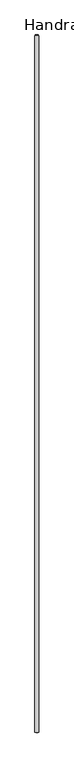
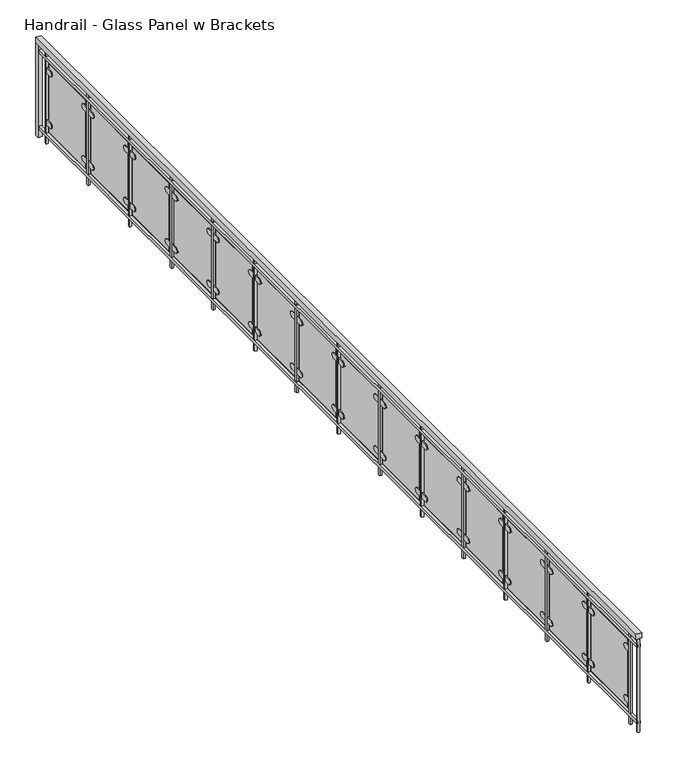
"""IFC4 building model written with IfcOpenShell, lengths in millimetres: railing geometry, Handrail - Glass Panel w Brackets."""

import ifcopenshell
import ifcopenshell.guid

model = None  # the IFC model being written
_history = None  # IfcOwnerHistory: only IFC2X3 demands one
_inside = {}  # id of a spatial element -> (the spatial element, [elements in it])
_under = {}  # id of a project, library or spatial element -> (it, [spatial elements below it])
_declared = {}  # id of a project -> (the project, [libraries it declares])
_typed = {}  # id of a type object -> (the type object, [elements of that type])
_made_of = {}  # id of a material, layer set ... -> (it, [elements and type objects made of it])


def new_model(schema):
    """Start an empty IFC model of exactly this schema.

    Asked for "IFC4X3", IfcOpenShell would pick the latest addendum, in which some entities
    have other attributes; the version numbers below select the first issue.
    IFC2X3 requires an IfcOwnerHistory on every rooted entity: one is made here for all.
    """
    global model, _history
    if schema == "IFC4X3":
        model = ifcopenshell.file(schema_version=(4, 3, 0, 0))
    else:
        model = ifcopenshell.file(schema=schema)
    _inside.clear()
    _under.clear()
    _declared.clear()
    _typed.clear()
    _made_of.clear()
    _history = None
    if model.schema == "IFC2X3":
        org = make("IfcOrganization", Name="unknown")
        user = make(
            "IfcPersonAndOrganization",
            ThePerson=make("IfcPerson", FamilyName="unknown"),
            TheOrganization=org,
        )
        app = make(
            "IfcApplication",
            ApplicationDeveloper=org,
            Version="unknown",
            ApplicationFullName="unknown",
            ApplicationIdentifier="unknown",
        )
        _history = make(
            "IfcOwnerHistory",
            OwningUser=user,
            OwningApplication=app,
            ChangeAction="ADDED",
            CreationDate=0,
        )
    return model


def make(cls, **values):
    """One entity of the class cls with the attributes given. An attribute that is None is left unset."""
    return model.create_entity(
        cls, **{name: value for name, value in values.items() if value is not None}
    )


def rooted(cls, **values):
    """An entity with a GlobalId (a new one), such as an element, a storey or a relation."""
    return make(cls, GlobalId=ifcopenshell.guid.new(), OwnerHistory=_history, **values)


def si_unit(unit_type, name, prefix=None):
    """IfcSIUnit, for example si_unit("LENGTHUNIT", "METRE", prefix="MILLI")."""
    return make("IfcSIUnit", UnitType=unit_type, Prefix=prefix, Name=name)


def assignment(units):
    """IfcUnitAssignment: the units of a project."""
    return None if units is None else make("IfcUnitAssignment", Units=units)


def point(xyz):
    """IfcCartesianPoint."""
    return None if xyz is None else make("IfcCartesianPoint", Coordinates=xyz)


def direction(xyz):
    """IfcDirection."""
    return None if xyz is None else make("IfcDirection", DirectionRatios=xyz)


def frame(location, z_axis=None, x_axis=None):
    """IfcAxis2Placement3D, a coordinate frame: its origin and axes. An axis left out is left unset."""
    return make(
        "IfcAxis2Placement3D",
        Location=point(location),
        Axis=direction(z_axis),
        RefDirection=direction(x_axis),
    )


def frame_2d(location, x_axis=None):
    """IfcAxis2Placement2D, a coordinate frame in the plane: its origin and x axis."""
    return make(
        "IfcAxis2Placement2D", Location=point(location), RefDirection=direction(x_axis)
    )


def origin():
    """The frame at (0, 0, 0) with its axes left unset."""
    return frame((0.0, 0.0, 0.0))


def origin_with_axes():
    """The frame at (0, 0, 0) with the z axis (0, 0, 1) and the x axis (1, 0, 0) written out."""
    return frame((0.0, 0.0, 0.0), z_axis=(0.0, 0.0, 1.0), x_axis=(1.0, 0.0, 0.0))


def place(relative_to, where):
    """IfcLocalPlacement: puts the frame where relative to a parent placement (None: the world)."""
    return make(
        "IfcLocalPlacement", PlacementRelTo=relative_to, RelativePlacement=where
    )


def context(
    kind, dimensions, precision=None, world=None, true_north=None, identifier=None
):
    """IfcGeometricRepresentationContext, for example the 3D "Model" context."""
    return make(
        "IfcGeometricRepresentationContext",
        ContextIdentifier=identifier,
        ContextType=kind,
        CoordinateSpaceDimension=dimensions,
        Precision=precision,
        WorldCoordinateSystem=world,
        TrueNorth=true_north,
    )


def project(units=None, contexts=None):
    """IfcProject with its units and contexts."""
    return rooted(
        "IfcProject",
        Name="project",
        RepresentationContexts=contexts,
        UnitsInContext=assignment(units),
    )


def spatial(cls, under=None, at=None, **own):
    """A site, building, storey or space (cls), placed at a placement, below another one or the project."""
    s = rooted(cls, ObjectPlacement=at, **own)
    if under is not None:
        _under.setdefault(under.id(), (under, []))[1].append(s)
    return s


def polyline(points):
    """IfcPolyline through the points."""
    return make("IfcPolyline", Points=[point(p) for p in points])


def circle_curve(where, radius):
    """IfcCircle in the frame where."""
    return make("IfcCircle", Position=where, Radius=radius)


def trimmed(basis, trim1, trim2, sense, master):
    """IfcTrimmedCurve: the piece of a basis curve between two trims."""
    return make(
        "IfcTrimmedCurve",
        BasisCurve=basis,
        Trim1=trim1,
        Trim2=trim2,
        SenseAgreement=sense,
        MasterRepresentation=master,
    )


def segment(curve, same_sense, transition):
    """IfcCompositeCurveSegment."""
    return make(
        "IfcCompositeCurveSegment",
        Transition=transition,
        SameSense=same_sense,
        ParentCurve=curve,
    )


def composite_curve(segments, self_intersect=None):
    """IfcCompositeCurve: segments joined end to end."""
    return make("IfcCompositeCurve", Segments=segments, SelfIntersect=self_intersect)


def outline(outer, holes=None, kind="AREA"):
    """IfcArbitraryClosedProfileDef: a profile drawn as a closed curve; with holes, ...WithVoids."""
    if holes is None:
        return make("IfcArbitraryClosedProfileDef", ProfileType=kind, OuterCurve=outer)
    return make(
        "IfcArbitraryProfileDefWithVoids",
        ProfileType=kind,
        OuterCurve=outer,
        InnerCurves=holes,
    )


def extrude(swept, where, along, depth):
    """IfcExtrudedAreaSolid: the profile swept, set in the frame where, extruded along a direction by depth."""
    return make(
        "IfcExtrudedAreaSolid",
        SweptArea=swept,
        Position=where,
        ExtrudedDirection=direction(along),
        Depth=depth,
    )


def shape(context_of_items, identifier, shape_type, items):
    """IfcShapeRepresentation: the items that make up one representation, for example the "Body"."""
    return make(
        "IfcShapeRepresentation",
        ContextOfItems=context_of_items,
        RepresentationIdentifier=identifier,
        RepresentationType=shape_type,
        Items=items,
    )


def source(mapping_origin, context_of_items, identifier, shape_type, items):
    """IfcRepresentationMap: a shape defined once, which mapped items show again and again."""
    return make(
        "IfcRepresentationMap",
        MappingOrigin=mapping_origin,
        MappedRepresentation=shape(context_of_items, identifier, shape_type, items),
    )


def transform(
    local_origin,
    x_axis=None,
    y_axis=None,
    z_axis=None,
    scale=None,
    scale2=None,
    scale3=None,
    uniform=True,
):
    """IfcCartesianTransformationOperator3D, or its non-uniform kind. x_axis, y_axis, z_axis: its Axis1, 2, 3."""
    if uniform:
        return make(
            "IfcCartesianTransformationOperator3D",
            Axis1=direction(x_axis),
            Axis2=direction(y_axis),
            LocalOrigin=point(local_origin),
            Scale=scale,
            Axis3=direction(z_axis),
        )
    return make(
        "IfcCartesianTransformationOperator3DnonUniform",
        Axis1=direction(x_axis),
        Axis2=direction(y_axis),
        LocalOrigin=point(local_origin),
        Scale=scale,
        Axis3=direction(z_axis),
        Scale2=scale2,
        Scale3=scale3,
    )


def mapped(mapping_source, mapping_target):
    """IfcMappedItem: shows the shape of a source again, moved by a transform."""
    return make(
        "IfcMappedItem", MappingSource=mapping_source, MappingTarget=mapping_target
    )


def made_of(thing, what):
    """Note that an element or type object is made of a material, layer set ...; save() writes the relation."""
    if what is not None:
        _made_of.setdefault(what.id(), (what, []))[1].append(thing)
    return thing


def element(
    cls,
    number,
    at=None,
    inside=None,
    cuts=None,
    type_object=None,
    material=None,
    context=None,
    identifier="Body",
    shape_type=None,
    held_by="IfcProductDefinitionShape",
    body=None,
    shapes=None,
    **own,
):
    """One element of the class cls, such as IfcWall. Its Tag is "e" and its number.

    at: its placement. inside: the storey or other place that contains it. cuts: it is an
    opening in that element (IfcRelVoidsElement). A single representation is given by context,
    identifier, shape_type and body (its items); several are given by shapes. held_by: the class
    of the entity that holds the representations. save() writes the other relations.
    """
    e = rooted(cls, Tag="e%d" % number, ObjectPlacement=at, **own)
    if body is not None:
        shapes = [shape(context, identifier, shape_type, body)]
    if shapes is not None:
        e.Representation = make(held_by, Representations=shapes)
    if inside is not None:
        _inside.setdefault(inside.id(), (inside, []))[1].append(e)
    if cuts is not None:
        rooted(
            "IfcRelVoidsElement", RelatingBuildingElement=cuts, RelatedOpeningElement=e
        )
    if type_object is not None:
        _typed.setdefault(type_object.id(), (type_object, []))[1].append(e)
    return made_of(e, material)


def aggregate(whole, parts):
    """IfcRelAggregates: a whole, such as a stair, and the parts it consists of."""
    return rooted("IfcRelAggregates", RelatingObject=whole, RelatedObjects=parts)


def save(model, path):
    """Write the relations noted so far, then the file.

    IfcRelAggregates (storeys below a building ...), IfcRelContainedInSpatialStructure (elements
    in a storey), IfcRelDefinesByType, IfcRelAssociatesMaterial and IfcRelDeclares: one each for
    every whole, place, type object, material and project.
    """
    for whole, parts in _under.values():
        aggregate(whole, parts)
    for where, things in _inside.values():
        rooted(
            "IfcRelContainedInSpatialStructure",
            RelatedElements=things,
            RelatingStructure=where,
        )
    for kind, things in _typed.values():
        rooted("IfcRelDefinesByType", RelatedObjects=things, RelatingType=kind)
    for what, things in _made_of.values():
        rooted("IfcRelAssociatesMaterial", RelatedObjects=things, RelatingMaterial=what)
    for by, libraries in _declared.values():
        rooted("IfcRelDeclares", RelatingContext=by, RelatedDefinitions=libraries)
    model.write(path)


def handrail_glass_panel_w_brackets_a9dcd3ed(model_context):
    return source(origin(), model_context, "Body", "SweptSolid", [
        extrude(outline(polyline([(-15226.2978678, -5345.4143828), (-15175.4978678, -5345.4143828), (-15175.4978678, -14489.4143828), (-15226.2978678, -14489.4143828), (-15226.2978678, -5345.4143828)])), frame((0.0, 0.0, 863.6), z_axis=(0.0, 0.0, 1.0), x_axis=(1.0, 0.0, 0.0)), (0.0, 0.0, 1.0), 50.8),
        extrude(outline(polyline([(-15213.5978678, -5345.4143828), (-15188.1978678, -5345.4143828), (-15188.1978678, -14489.4143828), (-15213.5978678, -14489.4143828), (-15213.5978678, -5345.4143828)])), frame((0.0, 0.0, 787.4), z_axis=(0.0, 0.0, 1.0), x_axis=(1.0, 0.0, 0.0)), (0.0, 0.0, 1.0), 25.4),
        extrude(outline(polyline([(-15213.5978678, -5345.4143828), (-15188.1978678, -5345.4143828), (-15188.1978678, -14489.4143828), (-15213.5978678, -14489.4143828), (-15213.5978678, -5345.4143828)])), frame((0.0, 0.0, 76.2), z_axis=(0.0, 0.0, 1.0), x_axis=(1.0, 0.0, 0.0)), (0.0, 0.0, 1.0), 25.4),
        extrude(outline(polyline([(-15210.4228678, -14352.8893828), (-15191.3728678, -14352.8893828), (-15191.3728678, -14371.9393828), (-15210.4228678, -14371.9393828), (-15210.4228678, -14352.8893828)])), origin_with_axes(), (0.0, 0.0, 1.0), 863.6),
        extrude(outline(composite_curve([segment(trimmed(circle_curve(frame_2d((-14298.9143828, 685.8)), 25.4), [point((-14298.9143828, 711.2))], [point((-14298.9143828, 660.4))], False, "CARTESIAN"), True, "CONTINUOUS"), segment(polyline([(-14298.9143828, 660.4), (-14349.7143828, 660.4), (-14349.7143828, 711.2), (-14298.9143828, 711.2)]), True, "CONTINUOUS")], self_intersect=False)), frame((-15207.2478678, 0.0, 0.0), z_axis=(1.0, 0.0, 0.0), x_axis=(0.0, 1.0, 0.0)), (0.0, 0.0, 1.0), 19.05),
        extrude(outline(composite_curve([segment(polyline([(-13790.9143828, 711.2), (-13740.1143828, 711.2), (-13740.1143828, 660.4), (-13790.9143828, 660.4)]), True, "CONTINUOUS"), segment(trimmed(circle_curve(frame_2d((-13790.9143828, 685.8)), 25.4), [point((-13790.9143828, 660.4))], [point((-13790.9143828, 711.2))], False, "CARTESIAN"), True, "CONTINUOUS")], self_intersect=False)), frame((-15207.2478678, 0.0, 0.0), z_axis=(1.0, 0.0, 0.0), x_axis=(0.0, 1.0, 0.0)), (0.0, 0.0, 1.0), 19.05),
        extrude(outline(composite_curve([segment(trimmed(circle_curve(frame_2d((-14298.9143828, 203.2)), 25.4), [point((-14298.9143828, 228.6))], [point((-14298.9143828, 177.8))], False, "CARTESIAN"), True, "CONTINUOUS"), segment(polyline([(-14298.9143828, 177.8), (-14349.7143828, 177.8), (-14349.7143828, 228.6), (-14298.9143828, 228.6)]), True, "CONTINUOUS")], self_intersect=False)), frame((-15207.2478678, 0.0, 0.0), z_axis=(1.0, 0.0, 0.0), x_axis=(0.0, 1.0, 0.0)), (0.0, 0.0, 1.0), 19.05),
        extrude(outline(composite_curve([segment(polyline([(-13790.9143828, 228.6), (-13740.1143828, 228.6), (-13740.1143828, 177.8), (-13790.9143828, 177.8)]), True, "CONTINUOUS"), segment(trimmed(circle_curve(frame_2d((-13790.9143828, 203.2)), 25.4), [point((-13790.9143828, 177.8))], [point((-13790.9143828, 228.6))], False, "CARTESIAN"), True, "CONTINUOUS")], self_intersect=False)), frame((-15207.2478678, 0.0, 0.0), z_axis=(1.0, 0.0, 0.0), x_axis=(0.0, 1.0, 0.0)), (0.0, 0.0, 1.0), 19.05),
        extrude(outline(polyline([(-15194.5478678, -13765.5143828), (-15194.5478678, -14324.3143828), (-15200.8978678, -14324.3143828), (-15200.8978678, -13765.5143828), (-15194.5478678, -13765.5143828)])), frame((0.0, 0.0, 127.0), z_axis=(0.0, 0.0, 1.0), x_axis=(1.0, 0.0, 0.0)), (0.0, 0.0, 1.0), 635.0),
        extrude(outline(polyline([(-15210.4228678, -13717.8893828), (-15191.3728678, -13717.8893828), (-15191.3728678, -13736.9393828), (-15210.4228678, -13736.9393828), (-15210.4228678, -13717.8893828)])), origin_with_axes(), (0.0, 0.0, 1.0), 863.6),
        extrude(outline(composite_curve([segment(trimmed(circle_curve(frame_2d((-13663.9143828, 685.8)), 25.4), [point((-13663.9143828, 711.2))], [point((-13663.9143828, 660.4))], False, "CARTESIAN"), True, "CONTINUOUS"), segment(polyline([(-13663.9143828, 660.4), (-13714.7143828, 660.4), (-13714.7143828, 711.2), (-13663.9143828, 711.2)]), True, "CONTINUOUS")], self_intersect=False)), frame((-15207.2478678, 0.0, 0.0), z_axis=(1.0, 0.0, 0.0), x_axis=(0.0, 1.0, 0.0)), (0.0, 0.0, 1.0), 19.05),
        extrude(outline(composite_curve([segment(polyline([(-13155.9143828, 711.2), (-13105.1143828, 711.2), (-13105.1143828, 660.4), (-13155.9143828, 660.4)]), True, "CONTINUOUS"), segment(trimmed(circle_curve(frame_2d((-13155.9143828, 685.8)), 25.4), [point((-13155.9143828, 660.4))], [point((-13155.9143828, 711.2))], False, "CARTESIAN"), True, "CONTINUOUS")], self_intersect=False)), frame((-15207.2478678, 0.0, 0.0), z_axis=(1.0, 0.0, 0.0), x_axis=(0.0, 1.0, 0.0)), (0.0, 0.0, 1.0), 19.05),
        extrude(outline(composite_curve([segment(trimmed(circle_curve(frame_2d((-13663.9143828, 203.2)), 25.4), [point((-13663.9143828, 228.6))], [point((-13663.9143828, 177.8))], False, "CARTESIAN"), True, "CONTINUOUS"), segment(polyline([(-13663.9143828, 177.8), (-13714.7143828, 177.8), (-13714.7143828, 228.6), (-13663.9143828, 228.6)]), True, "CONTINUOUS")], self_intersect=False)), frame((-15207.2478678, 0.0, 0.0), z_axis=(1.0, 0.0, 0.0), x_axis=(0.0, 1.0, 0.0)), (0.0, 0.0, 1.0), 19.05),
        extrude(outline(composite_curve([segment(polyline([(-13155.9143828, 228.6), (-13105.1143828, 228.6), (-13105.1143828, 177.8), (-13155.9143828, 177.8)]), True, "CONTINUOUS"), segment(trimmed(circle_curve(frame_2d((-13155.9143828, 203.2)), 25.4), [point((-13155.9143828, 177.8))], [point((-13155.9143828, 228.6))], False, "CARTESIAN"), True, "CONTINUOUS")], self_intersect=False)), frame((-15207.2478678, 0.0, 0.0), z_axis=(1.0, 0.0, 0.0), x_axis=(0.0, 1.0, 0.0)), (0.0, 0.0, 1.0), 19.05),
        extrude(outline(polyline([(-15194.5478678, -13130.5143828), (-15194.5478678, -13689.3143828), (-15200.8978678, -13689.3143828), (-15200.8978678, -13130.5143828), (-15194.5478678, -13130.5143828)])), frame((0.0, 0.0, 127.0), z_axis=(0.0, 0.0, 1.0), x_axis=(1.0, 0.0, 0.0)), (0.0, 0.0, 1.0), 635.0),
        extrude(outline(polyline([(-15210.4228678, -13082.8893828), (-15191.3728678, -13082.8893828), (-15191.3728678, -13101.9393828), (-15210.4228678, -13101.9393828), (-15210.4228678, -13082.8893828)])), origin_with_axes(), (0.0, 0.0, 1.0), 863.6),
        extrude(outline(composite_curve([segment(trimmed(circle_curve(frame_2d((-13028.9143828, 685.8)), 25.4), [point((-13028.9143828, 711.2))], [point((-13028.9143828, 660.4))], False, "CARTESIAN"), True, "CONTINUOUS"), segment(polyline([(-13028.9143828, 660.4), (-13079.7143828, 660.4), (-13079.7143828, 711.2), (-13028.9143828, 711.2)]), True, "CONTINUOUS")], self_intersect=False)), frame((-15207.2478678, 0.0, 0.0), z_axis=(1.0, 0.0, 0.0), x_axis=(0.0, 1.0, 0.0)), (0.0, 0.0, 1.0), 19.05),
        extrude(outline(composite_curve([segment(polyline([(-12520.9143828, 711.2), (-12470.1143828, 711.2), (-12470.1143828, 660.4), (-12520.9143828, 660.4)]), True, "CONTINUOUS"), segment(trimmed(circle_curve(frame_2d((-12520.9143828, 685.8)), 25.4), [point((-12520.9143828, 660.4))], [point((-12520.9143828, 711.2))], False, "CARTESIAN"), True, "CONTINUOUS")], self_intersect=False)), frame((-15207.2478678, 0.0, 0.0), z_axis=(1.0, 0.0, 0.0), x_axis=(0.0, 1.0, 0.0)), (0.0, 0.0, 1.0), 19.05),
        extrude(outline(composite_curve([segment(trimmed(circle_curve(frame_2d((-13028.9143828, 203.2)), 25.4), [point((-13028.9143828, 228.6))], [point((-13028.9143828, 177.8))], False, "CARTESIAN"), True, "CONTINUOUS"), segment(polyline([(-13028.9143828, 177.8), (-13079.7143828, 177.8), (-13079.7143828, 228.6), (-13028.9143828, 228.6)]), True, "CONTINUOUS")], self_intersect=False)), frame((-15207.2478678, 0.0, 0.0), z_axis=(1.0, 0.0, 0.0), x_axis=(0.0, 1.0, 0.0)), (0.0, 0.0, 1.0), 19.05),
        extrude(outline(composite_curve([segment(polyline([(-12520.9143828, 228.6), (-12470.1143828, 228.6), (-12470.1143828, 177.8), (-12520.9143828, 177.8)]), True, "CONTINUOUS"), segment(trimmed(circle_curve(frame_2d((-12520.9143828, 203.2)), 25.4), [point((-12520.9143828, 177.8))], [point((-12520.9143828, 228.6))], False, "CARTESIAN"), True, "CONTINUOUS")], self_intersect=False)), frame((-15207.2478678, 0.0, 0.0), z_axis=(1.0, 0.0, 0.0), x_axis=(0.0, 1.0, 0.0)), (0.0, 0.0, 1.0), 19.05),
        extrude(outline(polyline([(-15194.5478678, -12495.5143828), (-15194.5478678, -13054.3143828), (-15200.8978678, -13054.3143828), (-15200.8978678, -12495.5143828), (-15194.5478678, -12495.5143828)])), frame((0.0, 0.0, 127.0), z_axis=(0.0, 0.0, 1.0), x_axis=(1.0, 0.0, 0.0)), (0.0, 0.0, 1.0), 635.0),
        extrude(outline(polyline([(-15210.4228678, -12447.8893828), (-15191.3728678, -12447.8893828), (-15191.3728678, -12466.9393828), (-15210.4228678, -12466.9393828), (-15210.4228678, -12447.8893828)])), origin_with_axes(), (0.0, 0.0, 1.0), 863.6),
        extrude(outline(composite_curve([segment(trimmed(circle_curve(frame_2d((-12393.9143828, 685.8)), 25.4), [point((-12393.9143828, 711.2))], [point((-12393.9143828, 660.4))], False, "CARTESIAN"), True, "CONTINUOUS"), segment(polyline([(-12393.9143828, 660.4), (-12444.7143828, 660.4), (-12444.7143828, 711.2), (-12393.9143828, 711.2)]), True, "CONTINUOUS")], self_intersect=False)), frame((-15207.2478678, 0.0, 0.0), z_axis=(1.0, 0.0, 0.0), x_axis=(0.0, 1.0, 0.0)), (0.0, 0.0, 1.0), 19.05),
        extrude(outline(composite_curve([segment(polyline([(-11885.9143828, 711.2), (-11835.1143828, 711.2), (-11835.1143828, 660.4), (-11885.9143828, 660.4)]), True, "CONTINUOUS"), segment(trimmed(circle_curve(frame_2d((-11885.9143828, 685.8)), 25.4), [point((-11885.9143828, 660.4))], [point((-11885.9143828, 711.2))], False, "CARTESIAN"), True, "CONTINUOUS")], self_intersect=False)), frame((-15207.2478678, 0.0, 0.0), z_axis=(1.0, 0.0, 0.0), x_axis=(0.0, 1.0, 0.0)), (0.0, 0.0, 1.0), 19.05),
        extrude(outline(composite_curve([segment(trimmed(circle_curve(frame_2d((-12393.9143828, 203.2)), 25.4), [point((-12393.9143828, 228.6))], [point((-12393.9143828, 177.8))], False, "CARTESIAN"), True, "CONTINUOUS"), segment(polyline([(-12393.9143828, 177.8), (-12444.7143828, 177.8), (-12444.7143828, 228.6), (-12393.9143828, 228.6)]), True, "CONTINUOUS")], self_intersect=False)), frame((-15207.2478678, 0.0, 0.0), z_axis=(1.0, 0.0, 0.0), x_axis=(0.0, 1.0, 0.0)), (0.0, 0.0, 1.0), 19.05),
        extrude(outline(composite_curve([segment(polyline([(-11885.9143828, 228.6), (-11835.1143828, 228.6), (-11835.1143828, 177.8), (-11885.9143828, 177.8)]), True, "CONTINUOUS"), segment(trimmed(circle_curve(frame_2d((-11885.9143828, 203.2)), 25.4), [point((-11885.9143828, 177.8))], [point((-11885.9143828, 228.6))], False, "CARTESIAN"), True, "CONTINUOUS")], self_intersect=False)), frame((-15207.2478678, 0.0, 0.0), z_axis=(1.0, 0.0, 0.0), x_axis=(0.0, 1.0, 0.0)), (0.0, 0.0, 1.0), 19.05),
        extrude(outline(polyline([(-15194.5478678, -11860.5143828), (-15194.5478678, -12419.3143828), (-15200.8978678, -12419.3143828), (-15200.8978678, -11860.5143828), (-15194.5478678, -11860.5143828)])), frame((0.0, 0.0, 127.0), z_axis=(0.0, 0.0, 1.0), x_axis=(1.0, 0.0, 0.0)), (0.0, 0.0, 1.0), 635.0),
        extrude(outline(polyline([(-15210.4228678, -11812.8893828), (-15191.3728678, -11812.8893828), (-15191.3728678, -11831.9393828), (-15210.4228678, -11831.9393828), (-15210.4228678, -11812.8893828)])), origin_with_axes(), (0.0, 0.0, 1.0), 863.6),
        extrude(outline(composite_curve([segment(trimmed(circle_curve(frame_2d((-11758.9143828, 685.8)), 25.4), [point((-11758.9143828, 711.2))], [point((-11758.9143828, 660.4))], False, "CARTESIAN"), True, "CONTINUOUS"), segment(polyline([(-11758.9143828, 660.4), (-11809.7143828, 660.4), (-11809.7143828, 711.2), (-11758.9143828, 711.2)]), True, "CONTINUOUS")], self_intersect=False)), frame((-15207.2478678, 0.0, 0.0), z_axis=(1.0, 0.0, 0.0), x_axis=(0.0, 1.0, 0.0)), (0.0, 0.0, 1.0), 19.05),
        extrude(outline(composite_curve([segment(polyline([(-11250.9143828, 711.2), (-11200.1143828, 711.2), (-11200.1143828, 660.4), (-11250.9143828, 660.4)]), True, "CONTINUOUS"), segment(trimmed(circle_curve(frame_2d((-11250.9143828, 685.8)), 25.4), [point((-11250.9143828, 660.4))], [point((-11250.9143828, 711.2))], False, "CARTESIAN"), True, "CONTINUOUS")], self_intersect=False)), frame((-15207.2478678, 0.0, 0.0), z_axis=(1.0, 0.0, 0.0), x_axis=(0.0, 1.0, 0.0)), (0.0, 0.0, 1.0), 19.05),
        extrude(outline(composite_curve([segment(trimmed(circle_curve(frame_2d((-11758.9143828, 203.2)), 25.4), [point((-11758.9143828, 228.6))], [point((-11758.9143828, 177.8))], False, "CARTESIAN"), True, "CONTINUOUS"), segment(polyline([(-11758.9143828, 177.8), (-11809.7143828, 177.8), (-11809.7143828, 228.6), (-11758.9143828, 228.6)]), True, "CONTINUOUS")], self_intersect=False)), frame((-15207.2478678, 0.0, 0.0), z_axis=(1.0, 0.0, 0.0), x_axis=(0.0, 1.0, 0.0)), (0.0, 0.0, 1.0), 19.05),
        extrude(outline(composite_curve([segment(polyline([(-11250.9143828, 228.6), (-11200.1143828, 228.6), (-11200.1143828, 177.8), (-11250.9143828, 177.8)]), True, "CONTINUOUS"), segment(trimmed(circle_curve(frame_2d((-11250.9143828, 203.2)), 25.4), [point((-11250.9143828, 177.8))], [point((-11250.9143828, 228.6))], False, "CARTESIAN"), True, "CONTINUOUS")], self_intersect=False)), frame((-15207.2478678, 0.0, 0.0), z_axis=(1.0, 0.0, 0.0), x_axis=(0.0, 1.0, 0.0)), (0.0, 0.0, 1.0), 19.05),
        extrude(outline(polyline([(-15194.5478678, -11225.5143828), (-15194.5478678, -11784.3143828), (-15200.8978678, -11784.3143828), (-15200.8978678, -11225.5143828), (-15194.5478678, -11225.5143828)])), frame((0.0, 0.0, 127.0), z_axis=(0.0, 0.0, 1.0), x_axis=(1.0, 0.0, 0.0)), (0.0, 0.0, 1.0), 635.0),
        extrude(outline(polyline([(-15210.4228678, -11177.8893828), (-15191.3728678, -11177.8893828), (-15191.3728678, -11196.9393828), (-15210.4228678, -11196.9393828), (-15210.4228678, -11177.8893828)])), origin_with_axes(), (0.0, 0.0, 1.0), 863.6),
        extrude(outline(composite_curve([segment(trimmed(circle_curve(frame_2d((-11123.9143828, 685.8)), 25.4), [point((-11123.9143828, 711.2))], [point((-11123.9143828, 660.4))], False, "CARTESIAN"), True, "CONTINUOUS"), segment(polyline([(-11123.9143828, 660.4), (-11174.7143828, 660.4), (-11174.7143828, 711.2), (-11123.9143828, 711.2)]), True, "CONTINUOUS")], self_intersect=False)), frame((-15207.2478678, 0.0, 0.0), z_axis=(1.0, 0.0, 0.0), x_axis=(0.0, 1.0, 0.0)), (0.0, 0.0, 1.0), 19.05),
        extrude(outline(composite_curve([segment(polyline([(-10615.9143828, 711.2), (-10565.1143828, 711.2), (-10565.1143828, 660.4), (-10615.9143828, 660.4)]), True, "CONTINUOUS"), segment(trimmed(circle_curve(frame_2d((-10615.9143828, 685.8)), 25.4), [point((-10615.9143828, 660.4))], [point((-10615.9143828, 711.2))], False, "CARTESIAN"), True, "CONTINUOUS")], self_intersect=False)), frame((-15207.2478678, 0.0, 0.0), z_axis=(1.0, 0.0, 0.0), x_axis=(0.0, 1.0, 0.0)), (0.0, 0.0, 1.0), 19.05),
        extrude(outline(composite_curve([segment(trimmed(circle_curve(frame_2d((-11123.9143828, 203.2)), 25.4), [point((-11123.9143828, 228.6))], [point((-11123.9143828, 177.8))], False, "CARTESIAN"), True, "CONTINUOUS"), segment(polyline([(-11123.9143828, 177.8), (-11174.7143828, 177.8), (-11174.7143828, 228.6), (-11123.9143828, 228.6)]), True, "CONTINUOUS")], self_intersect=False)), frame((-15207.2478678, 0.0, 0.0), z_axis=(1.0, 0.0, 0.0), x_axis=(0.0, 1.0, 0.0)), (0.0, 0.0, 1.0), 19.05),
        extrude(outline(composite_curve([segment(polyline([(-10615.9143828, 228.6), (-10565.1143828, 228.6), (-10565.1143828, 177.8), (-10615.9143828, 177.8)]), True, "CONTINUOUS"), segment(trimmed(circle_curve(frame_2d((-10615.9143828, 203.2)), 25.4), [point((-10615.9143828, 177.8))], [point((-10615.9143828, 228.6))], False, "CARTESIAN"), True, "CONTINUOUS")], self_intersect=False)), frame((-15207.2478678, 0.0, 0.0), z_axis=(1.0, 0.0, 0.0), x_axis=(0.0, 1.0, 0.0)), (0.0, 0.0, 1.0), 19.05),
        extrude(outline(polyline([(-15194.5478678, -10590.5143828), (-15194.5478678, -11149.3143828), (-15200.8978678, -11149.3143828), (-15200.8978678, -10590.5143828), (-15194.5478678, -10590.5143828)])), frame((0.0, 0.0, 127.0), z_axis=(0.0, 0.0, 1.0), x_axis=(1.0, 0.0, 0.0)), (0.0, 0.0, 1.0), 635.0),
        extrude(outline(polyline([(-15210.4228678, -10542.8893828), (-15191.3728678, -10542.8893828), (-15191.3728678, -10561.9393828), (-15210.4228678, -10561.9393828), (-15210.4228678, -10542.8893828)])), origin_with_axes(), (0.0, 0.0, 1.0), 863.6),
        extrude(outline(composite_curve([segment(trimmed(circle_curve(frame_2d((-10488.9143828, 685.8)), 25.4), [point((-10488.9143828, 711.2))], [point((-10488.9143828, 660.4))], False, "CARTESIAN"), True, "CONTINUOUS"), segment(polyline([(-10488.9143828, 660.4), (-10539.7143828, 660.4), (-10539.7143828, 711.2), (-10488.9143828, 711.2)]), True, "CONTINUOUS")], self_intersect=False)), frame((-15207.2478678, 0.0, 0.0), z_axis=(1.0, 0.0, 0.0), x_axis=(0.0, 1.0, 0.0)), (0.0, 0.0, 1.0), 19.05),
        extrude(outline(composite_curve([segment(polyline([(-9980.9143828, 711.2), (-9930.1143828, 711.2), (-9930.1143828, 660.4), (-9980.9143828, 660.4)]), True, "CONTINUOUS"), segment(trimmed(circle_curve(frame_2d((-9980.9143828, 685.8)), 25.4), [point((-9980.9143828, 660.4))], [point((-9980.9143828, 711.2))], False, "CARTESIAN"), True, "CONTINUOUS")], self_intersect=False)), frame((-15207.2478678, 0.0, 0.0), z_axis=(1.0, 0.0, 0.0), x_axis=(0.0, 1.0, 0.0)), (0.0, 0.0, 1.0), 19.05),
        extrude(outline(composite_curve([segment(trimmed(circle_curve(frame_2d((-10488.9143828, 203.2)), 25.4), [point((-10488.9143828, 228.6))], [point((-10488.9143828, 177.8))], False, "CARTESIAN"), True, "CONTINUOUS"), segment(polyline([(-10488.9143828, 177.8), (-10539.7143828, 177.8), (-10539.7143828, 228.6), (-10488.9143828, 228.6)]), True, "CONTINUOUS")], self_intersect=False)), frame((-15207.2478678, 0.0, 0.0), z_axis=(1.0, 0.0, 0.0), x_axis=(0.0, 1.0, 0.0)), (0.0, 0.0, 1.0), 19.05),
        extrude(outline(composite_curve([segment(polyline([(-9980.9143828, 228.6), (-9930.1143828, 228.6), (-9930.1143828, 177.8), (-9980.9143828, 177.8)]), True, "CONTINUOUS"), segment(trimmed(circle_curve(frame_2d((-9980.9143828, 203.2)), 25.4), [point((-9980.9143828, 177.8))], [point((-9980.9143828, 228.6))], False, "CARTESIAN"), True, "CONTINUOUS")], self_intersect=False)), frame((-15207.2478678, 0.0, 0.0), z_axis=(1.0, 0.0, 0.0), x_axis=(0.0, 1.0, 0.0)), (0.0, 0.0, 1.0), 19.05),
        extrude(outline(polyline([(-15194.5478678, -9955.5143828), (-15194.5478678, -10514.3143828), (-15200.8978678, -10514.3143828), (-15200.8978678, -9955.5143828), (-15194.5478678, -9955.5143828)])), frame((0.0, 0.0, 127.0), z_axis=(0.0, 0.0, 1.0), x_axis=(1.0, 0.0, 0.0)), (0.0, 0.0, 1.0), 635.0),
        extrude(outline(polyline([(-15210.4228678, -9907.8893828), (-15191.3728678, -9907.8893828), (-15191.3728678, -9926.9393828), (-15210.4228678, -9926.9393828), (-15210.4228678, -9907.8893828)])), origin_with_axes(), (0.0, 0.0, 1.0), 863.6),
        extrude(outline(composite_curve([segment(trimmed(circle_curve(frame_2d((-9853.9143828, 685.8)), 25.4), [point((-9853.9143828, 711.2))], [point((-9853.9143828, 660.4))], False, "CARTESIAN"), True, "CONTINUOUS"), segment(polyline([(-9853.9143828, 660.4), (-9904.7143828, 660.4), (-9904.7143828, 711.2), (-9853.9143828, 711.2)]), True, "CONTINUOUS")], self_intersect=False)), frame((-15207.2478678, 0.0, 0.0), z_axis=(1.0, 0.0, 0.0), x_axis=(0.0, 1.0, 0.0)), (0.0, 0.0, 1.0), 19.05),
        extrude(outline(composite_curve([segment(polyline([(-9345.9143828, 711.2), (-9295.1143828, 711.2), (-9295.1143828, 660.4), (-9345.9143828, 660.4)]), True, "CONTINUOUS"), segment(trimmed(circle_curve(frame_2d((-9345.9143828, 685.8)), 25.4), [point((-9345.9143828, 660.4))], [point((-9345.9143828, 711.2))], False, "CARTESIAN"), True, "CONTINUOUS")], self_intersect=False)), frame((-15207.2478678, 0.0, 0.0), z_axis=(1.0, 0.0, 0.0), x_axis=(0.0, 1.0, 0.0)), (0.0, 0.0, 1.0), 19.05),
        extrude(outline(composite_curve([segment(trimmed(circle_curve(frame_2d((-9853.9143828, 203.2)), 25.4), [point((-9853.9143828, 228.6))], [point((-9853.9143828, 177.8))], False, "CARTESIAN"), True, "CONTINUOUS"), segment(polyline([(-9853.9143828, 177.8), (-9904.7143828, 177.8), (-9904.7143828, 228.6), (-9853.9143828, 228.6)]), True, "CONTINUOUS")], self_intersect=False)), frame((-15207.2478678, 0.0, 0.0), z_axis=(1.0, 0.0, 0.0), x_axis=(0.0, 1.0, 0.0)), (0.0, 0.0, 1.0), 19.05),
        extrude(outline(composite_curve([segment(polyline([(-9345.9143828, 228.6), (-9295.1143828, 228.6), (-9295.1143828, 177.8), (-9345.9143828, 177.8)]), True, "CONTINUOUS"), segment(trimmed(circle_curve(frame_2d((-9345.9143828, 203.2)), 25.4), [point((-9345.9143828, 177.8))], [point((-9345.9143828, 228.6))], False, "CARTESIAN"), True, "CONTINUOUS")], self_intersect=False)), frame((-15207.2478678, 0.0, 0.0), z_axis=(1.0, 0.0, 0.0), x_axis=(0.0, 1.0, 0.0)), (0.0, 0.0, 1.0), 19.05),
        extrude(outline(polyline([(-15194.5478678, -9320.5143828), (-15194.5478678, -9879.3143828), (-15200.8978678, -9879.3143828), (-15200.8978678, -9320.5143828), (-15194.5478678, -9320.5143828)])), frame((0.0, 0.0, 127.0), z_axis=(0.0, 0.0, 1.0), x_axis=(1.0, 0.0, 0.0)), (0.0, 0.0, 1.0), 635.0),
        extrude(outline(polyline([(-15210.4228678, -9272.8893828), (-15191.3728678, -9272.8893828), (-15191.3728678, -9291.9393828), (-15210.4228678, -9291.9393828), (-15210.4228678, -9272.8893828)])), origin_with_axes(), (0.0, 0.0, 1.0), 863.6),
        extrude(outline(composite_curve([segment(trimmed(circle_curve(frame_2d((-9218.9143828, 685.8)), 25.4), [point((-9218.9143828, 711.2))], [point((-9218.9143828, 660.4))], False, "CARTESIAN"), True, "CONTINUOUS"), segment(polyline([(-9218.9143828, 660.4), (-9269.7143828, 660.4), (-9269.7143828, 711.2), (-9218.9143828, 711.2)]), True, "CONTINUOUS")], self_intersect=False)), frame((-15207.2478678, 0.0, 0.0), z_axis=(1.0, 0.0, 0.0), x_axis=(0.0, 1.0, 0.0)), (0.0, 0.0, 1.0), 19.05),
        extrude(outline(composite_curve([segment(polyline([(-8710.9143828, 711.2), (-8660.1143828, 711.2), (-8660.1143828, 660.4), (-8710.9143828, 660.4)]), True, "CONTINUOUS"), segment(trimmed(circle_curve(frame_2d((-8710.9143828, 685.8)), 25.4), [point((-8710.9143828, 660.4))], [point((-8710.9143828, 711.2))], False, "CARTESIAN"), True, "CONTINUOUS")], self_intersect=False)), frame((-15207.2478678, 0.0, 0.0), z_axis=(1.0, 0.0, 0.0), x_axis=(0.0, 1.0, 0.0)), (0.0, 0.0, 1.0), 19.05),
        extrude(outline(composite_curve([segment(trimmed(circle_curve(frame_2d((-9218.9143828, 203.2)), 25.4), [point((-9218.9143828, 228.6))], [point((-9218.9143828, 177.8))], False, "CARTESIAN"), True, "CONTINUOUS"), segment(polyline([(-9218.9143828, 177.8), (-9269.7143828, 177.8), (-9269.7143828, 228.6), (-9218.9143828, 228.6)]), True, "CONTINUOUS")], self_intersect=False)), frame((-15207.2478678, 0.0, 0.0), z_axis=(1.0, 0.0, 0.0), x_axis=(0.0, 1.0, 0.0)), (0.0, 0.0, 1.0), 19.05),
        extrude(outline(composite_curve([segment(polyline([(-8710.9143828, 228.6), (-8660.1143828, 228.6), (-8660.1143828, 177.8), (-8710.9143828, 177.8)]), True, "CONTINUOUS"), segment(trimmed(circle_curve(frame_2d((-8710.9143828, 203.2)), 25.4), [point((-8710.9143828, 177.8))], [point((-8710.9143828, 228.6))], False, "CARTESIAN"), True, "CONTINUOUS")], self_intersect=False)), frame((-15207.2478678, 0.0, 0.0), z_axis=(1.0, 0.0, 0.0), x_axis=(0.0, 1.0, 0.0)), (0.0, 0.0, 1.0), 19.05),
        extrude(outline(polyline([(-15194.5478678, -8685.5143828), (-15194.5478678, -9244.3143828), (-15200.8978678, -9244.3143828), (-15200.8978678, -8685.5143828), (-15194.5478678, -8685.5143828)])), frame((0.0, 0.0, 127.0), z_axis=(0.0, 0.0, 1.0), x_axis=(1.0, 0.0, 0.0)), (0.0, 0.0, 1.0), 635.0),
        extrude(outline(polyline([(-15210.4228678, -8637.8893828), (-15191.3728678, -8637.8893828), (-15191.3728678, -8656.9393828), (-15210.4228678, -8656.9393828), (-15210.4228678, -8637.8893828)])), origin_with_axes(), (0.0, 0.0, 1.0), 863.6),
        extrude(outline(composite_curve([segment(trimmed(circle_curve(frame_2d((-8583.9143828, 685.8)), 25.4), [point((-8583.9143828, 711.2))], [point((-8583.9143828, 660.4))], False, "CARTESIAN"), True, "CONTINUOUS"), segment(polyline([(-8583.9143828, 660.4), (-8634.7143828, 660.4), (-8634.7143828, 711.2), (-8583.9143828, 711.2)]), True, "CONTINUOUS")], self_intersect=False)), frame((-15207.2478678, 0.0, 0.0), z_axis=(1.0, 0.0, 0.0), x_axis=(0.0, 1.0, 0.0)), (0.0, 0.0, 1.0), 19.05),
        extrude(outline(composite_curve([segment(polyline([(-8075.9143828, 711.2), (-8025.1143828, 711.2), (-8025.1143828, 660.4), (-8075.9143828, 660.4)]), True, "CONTINUOUS"), segment(trimmed(circle_curve(frame_2d((-8075.9143828, 685.8)), 25.4), [point((-8075.9143828, 660.4))], [point((-8075.9143828, 711.2))], False, "CARTESIAN"), True, "CONTINUOUS")], self_intersect=False)), frame((-15207.2478678, 0.0, 0.0), z_axis=(1.0, 0.0, 0.0), x_axis=(0.0, 1.0, 0.0)), (0.0, 0.0, 1.0), 19.05),
        extrude(outline(composite_curve([segment(trimmed(circle_curve(frame_2d((-8583.9143828, 203.2)), 25.4), [point((-8583.9143828, 228.6))], [point((-8583.9143828, 177.8))], False, "CARTESIAN"), True, "CONTINUOUS"), segment(polyline([(-8583.9143828, 177.8), (-8634.7143828, 177.8), (-8634.7143828, 228.6), (-8583.9143828, 228.6)]), True, "CONTINUOUS")], self_intersect=False)), frame((-15207.2478678, 0.0, 0.0), z_axis=(1.0, 0.0, 0.0), x_axis=(0.0, 1.0, 0.0)), (0.0, 0.0, 1.0), 19.05),
        extrude(outline(composite_curve([segment(polyline([(-8075.9143828, 228.6), (-8025.1143828, 228.6), (-8025.1143828, 177.8), (-8075.9143828, 177.8)]), True, "CONTINUOUS"), segment(trimmed(circle_curve(frame_2d((-8075.9143828, 203.2)), 25.4), [point((-8075.9143828, 177.8))], [point((-8075.9143828, 228.6))], False, "CARTESIAN"), True, "CONTINUOUS")], self_intersect=False)), frame((-15207.2478678, 0.0, 0.0), z_axis=(1.0, 0.0, 0.0), x_axis=(0.0, 1.0, 0.0)), (0.0, 0.0, 1.0), 19.05),
        extrude(outline(polyline([(-15194.5478678, -8050.5143828), (-15194.5478678, -8609.3143828), (-15200.8978678, -8609.3143828), (-15200.8978678, -8050.5143828), (-15194.5478678, -8050.5143828)])), frame((0.0, 0.0, 127.0), z_axis=(0.0, 0.0, 1.0), x_axis=(1.0, 0.0, 0.0)), (0.0, 0.0, 1.0), 635.0),
        extrude(outline(polyline([(-15210.4228678, -8002.8893828), (-15191.3728678, -8002.8893828), (-15191.3728678, -8021.9393828), (-15210.4228678, -8021.9393828), (-15210.4228678, -8002.8893828)])), origin_with_axes(), (0.0, 0.0, 1.0), 863.6),
        extrude(outline(composite_curve([segment(trimmed(circle_curve(frame_2d((-7948.9143828, 685.8)), 25.4), [point((-7948.9143828, 711.2))], [point((-7948.9143828, 660.4))], False, "CARTESIAN"), True, "CONTINUOUS"), segment(polyline([(-7948.9143828, 660.4), (-7999.7143828, 660.4), (-7999.7143828, 711.2), (-7948.9143828, 711.2)]), True, "CONTINUOUS")], self_intersect=False)), frame((-15207.2478678, 0.0, 0.0), z_axis=(1.0, 0.0, 0.0), x_axis=(0.0, 1.0, 0.0)), (0.0, 0.0, 1.0), 19.05),
        extrude(outline(composite_curve([segment(polyline([(-7440.9143828, 711.2), (-7390.1143828, 711.2), (-7390.1143828, 660.4), (-7440.9143828, 660.4)]), True, "CONTINUOUS"), segment(trimmed(circle_curve(frame_2d((-7440.9143828, 685.8)), 25.4), [point((-7440.9143828, 660.4))], [point((-7440.9143828, 711.2))], False, "CARTESIAN"), True, "CONTINUOUS")], self_intersect=False)), frame((-15207.2478678, 0.0, 0.0), z_axis=(1.0, 0.0, 0.0), x_axis=(0.0, 1.0, 0.0)), (0.0, 0.0, 1.0), 19.05),
        extrude(outline(composite_curve([segment(trimmed(circle_curve(frame_2d((-7948.9143828, 203.2)), 25.4), [point((-7948.9143828, 228.6))], [point((-7948.9143828, 177.8))], False, "CARTESIAN"), True, "CONTINUOUS"), segment(polyline([(-7948.9143828, 177.8), (-7999.7143828, 177.8), (-7999.7143828, 228.6), (-7948.9143828, 228.6)]), True, "CONTINUOUS")], self_intersect=False)), frame((-15207.2478678, 0.0, 0.0), z_axis=(1.0, 0.0, 0.0), x_axis=(0.0, 1.0, 0.0)), (0.0, 0.0, 1.0), 19.05),
        extrude(outline(composite_curve([segment(polyline([(-7440.9143828, 228.6), (-7390.1143828, 228.6), (-7390.1143828, 177.8), (-7440.9143828, 177.8)]), True, "CONTINUOUS"), segment(trimmed(circle_curve(frame_2d((-7440.9143828, 203.2)), 25.4), [point((-7440.9143828, 177.8))], [point((-7440.9143828, 228.6))], False, "CARTESIAN"), True, "CONTINUOUS")], self_intersect=False)), frame((-15207.2478678, 0.0, 0.0), z_axis=(1.0, 0.0, 0.0), x_axis=(0.0, 1.0, 0.0)), (0.0, 0.0, 1.0), 19.05),
        extrude(outline(polyline([(-15194.5478678, -7415.5143828), (-15194.5478678, -7974.3143828), (-15200.8978678, -7974.3143828), (-15200.8978678, -7415.5143828), (-15194.5478678, -7415.5143828)])), frame((0.0, 0.0, 127.0), z_axis=(0.0, 0.0, 1.0), x_axis=(1.0, 0.0, 0.0)), (0.0, 0.0, 1.0), 635.0),
        extrude(outline(polyline([(-15210.4228678, -7367.8893828), (-15191.3728678, -7367.8893828), (-15191.3728678, -7386.9393828), (-15210.4228678, -7386.9393828), (-15210.4228678, -7367.8893828)])), origin_with_axes(), (0.0, 0.0, 1.0), 863.6),
        extrude(outline(composite_curve([segment(trimmed(circle_curve(frame_2d((-7313.9143828, 685.8)), 25.4), [point((-7313.9143828, 711.2))], [point((-7313.9143828, 660.4))], False, "CARTESIAN"), True, "CONTINUOUS"), segment(polyline([(-7313.9143828, 660.4), (-7364.7143828, 660.4), (-7364.7143828, 711.2), (-7313.9143828, 711.2)]), True, "CONTINUOUS")], self_intersect=False)), frame((-15207.2478678, 0.0, 0.0), z_axis=(1.0, 0.0, 0.0), x_axis=(0.0, 1.0, 0.0)), (0.0, 0.0, 1.0), 19.05),
        extrude(outline(composite_curve([segment(polyline([(-6805.9143828, 711.2), (-6755.1143828, 711.2), (-6755.1143828, 660.4), (-6805.9143828, 660.4)]), True, "CONTINUOUS"), segment(trimmed(circle_curve(frame_2d((-6805.9143828, 685.8)), 25.4), [point((-6805.9143828, 660.4))], [point((-6805.9143828, 711.2))], False, "CARTESIAN"), True, "CONTINUOUS")], self_intersect=False)), frame((-15207.2478678, 0.0, 0.0), z_axis=(1.0, 0.0, 0.0), x_axis=(0.0, 1.0, 0.0)), (0.0, 0.0, 1.0), 19.05),
        extrude(outline(composite_curve([segment(trimmed(circle_curve(frame_2d((-7313.9143828, 203.2)), 25.4), [point((-7313.9143828, 228.6))], [point((-7313.9143828, 177.8))], False, "CARTESIAN"), True, "CONTINUOUS"), segment(polyline([(-7313.9143828, 177.8), (-7364.7143828, 177.8), (-7364.7143828, 228.6), (-7313.9143828, 228.6)]), True, "CONTINUOUS")], self_intersect=False)), frame((-15207.2478678, 0.0, 0.0), z_axis=(1.0, 0.0, 0.0), x_axis=(0.0, 1.0, 0.0)), (0.0, 0.0, 1.0), 19.05),
        extrude(outline(composite_curve([segment(polyline([(-6805.9143828, 228.6), (-6755.1143828, 228.6), (-6755.1143828, 177.8), (-6805.9143828, 177.8)]), True, "CONTINUOUS"), segment(trimmed(circle_curve(frame_2d((-6805.9143828, 203.2)), 25.4), [point((-6805.9143828, 177.8))], [point((-6805.9143828, 228.6))], False, "CARTESIAN"), True, "CONTINUOUS")], self_intersect=False)), frame((-15207.2478678, 0.0, 0.0), z_axis=(1.0, 0.0, 0.0), x_axis=(0.0, 1.0, 0.0)), (0.0, 0.0, 1.0), 19.05),
        extrude(outline(polyline([(-15194.5478678, -6780.5143828), (-15194.5478678, -7339.3143828), (-15200.8978678, -7339.3143828), (-15200.8978678, -6780.5143828), (-15194.5478678, -6780.5143828)])), frame((0.0, 0.0, 127.0), z_axis=(0.0, 0.0, 1.0), x_axis=(1.0, 0.0, 0.0)), (0.0, 0.0, 1.0), 635.0),
        extrude(outline(polyline([(-15210.4228678, -6732.8893828), (-15191.3728678, -6732.8893828), (-15191.3728678, -6751.9393828), (-15210.4228678, -6751.9393828), (-15210.4228678, -6732.8893828)])), origin_with_axes(), (0.0, 0.0, 1.0), 863.6),
        extrude(outline(composite_curve([segment(trimmed(circle_curve(frame_2d((-6678.9143828, 685.8)), 25.4), [point((-6678.9143828, 711.2))], [point((-6678.9143828, 660.4))], False, "CARTESIAN"), True, "CONTINUOUS"), segment(polyline([(-6678.9143828, 660.4), (-6729.7143828, 660.4), (-6729.7143828, 711.2), (-6678.9143828, 711.2)]), True, "CONTINUOUS")], self_intersect=False)), frame((-15207.2478678, 0.0, 0.0), z_axis=(1.0, 0.0, 0.0), x_axis=(0.0, 1.0, 0.0)), (0.0, 0.0, 1.0), 19.05),
        extrude(outline(composite_curve([segment(polyline([(-6170.9143828, 711.2), (-6120.1143828, 711.2), (-6120.1143828, 660.4), (-6170.9143828, 660.4)]), True, "CONTINUOUS"), segment(trimmed(circle_curve(frame_2d((-6170.9143828, 685.8)), 25.4), [point((-6170.9143828, 660.4))], [point((-6170.9143828, 711.2))], False, "CARTESIAN"), True, "CONTINUOUS")], self_intersect=False)), frame((-15207.2478678, 0.0, 0.0), z_axis=(1.0, 0.0, 0.0), x_axis=(0.0, 1.0, 0.0)), (0.0, 0.0, 1.0), 19.05),
        extrude(outline(composite_curve([segment(trimmed(circle_curve(frame_2d((-6678.9143828, 203.2)), 25.4), [point((-6678.9143828, 228.6))], [point((-6678.9143828, 177.8))], False, "CARTESIAN"), True, "CONTINUOUS"), segment(polyline([(-6678.9143828, 177.8), (-6729.7143828, 177.8), (-6729.7143828, 228.6), (-6678.9143828, 228.6)]), True, "CONTINUOUS")], self_intersect=False)), frame((-15207.2478678, 0.0, 0.0), z_axis=(1.0, 0.0, 0.0), x_axis=(0.0, 1.0, 0.0)), (0.0, 0.0, 1.0), 19.05),
        extrude(outline(composite_curve([segment(polyline([(-6170.9143828, 228.6), (-6120.1143828, 228.6), (-6120.1143828, 177.8), (-6170.9143828, 177.8)]), True, "CONTINUOUS"), segment(trimmed(circle_curve(frame_2d((-6170.9143828, 203.2)), 25.4), [point((-6170.9143828, 177.8))], [point((-6170.9143828, 228.6))], False, "CARTESIAN"), True, "CONTINUOUS")], self_intersect=False)), frame((-15207.2478678, 0.0, 0.0), z_axis=(1.0, 0.0, 0.0), x_axis=(0.0, 1.0, 0.0)), (0.0, 0.0, 1.0), 19.05),
        extrude(outline(polyline([(-15194.5478678, -6145.5143828), (-15194.5478678, -6704.3143828), (-15200.8978678, -6704.3143828), (-15200.8978678, -6145.5143828), (-15194.5478678, -6145.5143828)])), frame((0.0, 0.0, 127.0), z_axis=(0.0, 0.0, 1.0), x_axis=(1.0, 0.0, 0.0)), (0.0, 0.0, 1.0), 635.0),
        extrude(outline(polyline([(-15210.4228678, -6097.8893828), (-15191.3728678, -6097.8893828), (-15191.3728678, -6116.9393828), (-15210.4228678, -6116.9393828), (-15210.4228678, -6097.8893828)])), origin_with_axes(), (0.0, 0.0, 1.0), 863.6),
        extrude(outline(composite_curve([segment(trimmed(circle_curve(frame_2d((-6043.9143828, 685.8)), 25.4), [point((-6043.9143828, 711.2))], [point((-6043.9143828, 660.4))], False, "CARTESIAN"), True, "CONTINUOUS"), segment(polyline([(-6043.9143828, 660.4), (-6094.7143828, 660.4), (-6094.7143828, 711.2), (-6043.9143828, 711.2)]), True, "CONTINUOUS")], self_intersect=False)), frame((-15207.2478678, 0.0, 0.0), z_axis=(1.0, 0.0, 0.0), x_axis=(0.0, 1.0, 0.0)), (0.0, 0.0, 1.0), 19.05),
        extrude(outline(composite_curve([segment(polyline([(-5535.9143828, 711.2), (-5485.1143828, 711.2), (-5485.1143828, 660.4), (-5535.9143828, 660.4)]), True, "CONTINUOUS"), segment(trimmed(circle_curve(frame_2d((-5535.9143828, 685.8)), 25.4), [point((-5535.9143828, 660.4))], [point((-5535.9143828, 711.2))], False, "CARTESIAN"), True, "CONTINUOUS")], self_intersect=False)), frame((-15207.2478678, 0.0, 0.0), z_axis=(1.0, 0.0, 0.0), x_axis=(0.0, 1.0, 0.0)), (0.0, 0.0, 1.0), 19.05),
        extrude(outline(composite_curve([segment(trimmed(circle_curve(frame_2d((-6043.9143828, 203.2)), 25.4), [point((-6043.9143828, 228.6))], [point((-6043.9143828, 177.8))], False, "CARTESIAN"), True, "CONTINUOUS"), segment(polyline([(-6043.9143828, 177.8), (-6094.7143828, 177.8), (-6094.7143828, 228.6), (-6043.9143828, 228.6)]), True, "CONTINUOUS")], self_intersect=False)), frame((-15207.2478678, 0.0, 0.0), z_axis=(1.0, 0.0, 0.0), x_axis=(0.0, 1.0, 0.0)), (0.0, 0.0, 1.0), 19.05),
        extrude(outline(composite_curve([segment(polyline([(-5535.9143828, 228.6), (-5485.1143828, 228.6), (-5485.1143828, 177.8), (-5535.9143828, 177.8)]), True, "CONTINUOUS"), segment(trimmed(circle_curve(frame_2d((-5535.9143828, 203.2)), 25.4), [point((-5535.9143828, 177.8))], [point((-5535.9143828, 228.6))], False, "CARTESIAN"), True, "CONTINUOUS")], self_intersect=False)), frame((-15207.2478678, 0.0, 0.0), z_axis=(1.0, 0.0, 0.0), x_axis=(0.0, 1.0, 0.0)), (0.0, 0.0, 1.0), 19.05),
        extrude(outline(polyline([(-15194.5478678, -5510.5143828), (-15194.5478678, -6069.3143828), (-15200.8978678, -6069.3143828), (-15200.8978678, -5510.5143828), (-15194.5478678, -5510.5143828)])), frame((0.0, 0.0, 127.0), z_axis=(0.0, 0.0, 1.0), x_axis=(1.0, 0.0, 0.0)), (0.0, 0.0, 1.0), 635.0),
        extrude(outline(polyline([(-15210.4228678, -5462.8893828), (-15191.3728678, -5462.8893828), (-15191.3728678, -5481.9393828), (-15210.4228678, -5481.9393828), (-15210.4228678, -5462.8893828)])), origin_with_axes(), (0.0, 0.0, 1.0), 863.6),
        extrude(outline(composite_curve([segment(trimmed(circle_curve(frame_2d((-15200.8978678, -14479.8893828)), 12.7), [point((-15188.1978678, -14479.8893828))], [point((-15213.5978678, -14479.8893828))], False, "CARTESIAN"), True, "CONTINUOUS"), segment(trimmed(circle_curve(frame_2d((-15200.8978678, -14479.8893828)), 12.7), [point((-15213.5978678, -14479.8893828))], [point((-15188.1978678, -14479.8893828))], False, "CARTESIAN"), True, "CONTINUOUS")], self_intersect=False)), origin_with_axes(), (0.0, 0.0, 1.0), 863.6),
        extrude(outline(polyline([(-15219.9478678, -5335.8893828), (-15181.8478678, -5335.8893828), (-15181.8478678, -5373.9893828), (-15219.9478678, -5373.9893828), (-15219.9478678, -5335.8893828)])), origin_with_axes(), (0.0, 0.0, 1.0), 863.6),
    ])


if __name__ == "__main__":
    model = new_model("IFC4")
    model_context = context("Model", 3, world=origin())
    ifc_project = project(units=[si_unit("LENGTHUNIT", "METRE", prefix="MILLI")], contexts=[model_context])
    site = spatial("IfcSite", under=ifc_project)
    building = spatial("IfcBuilding", under=site)
    placement = place(None, origin())
    handrail_glass_panel_w_brackets_shape = handrail_glass_panel_w_brackets_a9dcd3ed(model_context)
    element("IfcRailing", 1, ObjectType="Handrail - Glass Panel w Brackets", at=placement, inside=building, context=model_context, shape_type="MappedRepresentation", body=[
        mapped(handrail_glass_panel_w_brackets_shape, transform((0.0, 0.0, 0.0), x_axis=(1.0, 0.0, 0.0), y_axis=(0.0, 1.0, 0.0), z_axis=(0.0, 0.0, 1.0))),
    ])
    save(model, "model.ifc")
